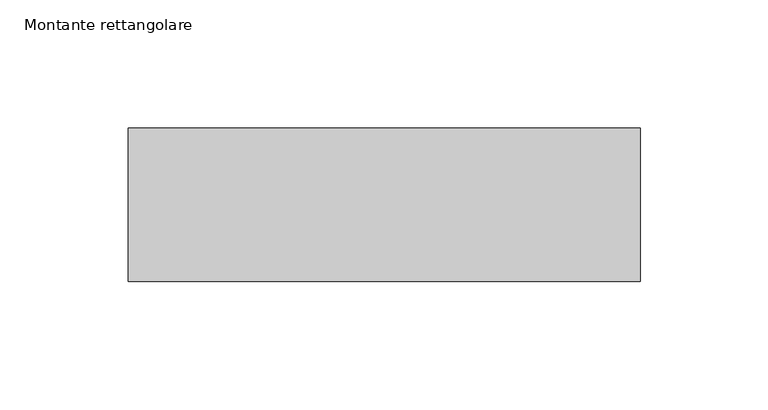
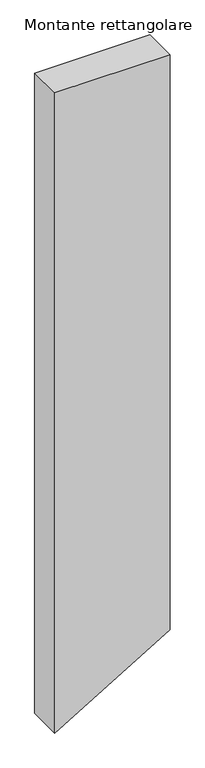
"""IFC4 building model written with IfcOpenShell, lengths in millimetres: member geometry, Montante rettangolare."""

from ifc_helpers import new_model, si_unit, frame, origin, place, context, project, spatial, polyline, outline, extrude, source, transform, mapped, element, save


def montante_rettangolare_ea07a275(model_context):
    return source(origin(), model_context, "Body", "SweptSolid", [
        extrude(outline(polyline([(0.0, 100.0), (0.0, -100.0), (-1173.0530458, -100.0), (-1054.0655495, 100.0), (0.0, 100.0)])), frame((0.0, -30.0, 0.0), z_axis=(0.0, 1.0, 0.0), x_axis=(0.0, 0.0, 1.0)), (0.0, 0.0, 1.0), 60.0),
    ])


if __name__ == "__main__":
    model = new_model("IFC4")
    model_context = context("Model", 3, world=origin())
    ifc_project = project(units=[si_unit("LENGTHUNIT", "METRE", prefix="MILLI")], contexts=[model_context])
    site = spatial("IfcSite", under=ifc_project)
    building = spatial("IfcBuilding", under=site)
    placement = place(None, origin())
    montante_rettangolare_shape = montante_rettangolare_ea07a275(model_context)
    element("IfcMember", 1, ObjectType="Montante rettangolare", at=placement, inside=building, context=model_context, shape_type="MappedRepresentation", body=[
        mapped(montante_rettangolare_shape, transform((0.0, 0.0, 0.0), x_axis=(1.0, 0.0, 0.0), y_axis=(0.0, 1.0, 0.0), z_axis=(0.0, 0.0, 1.0))),
    ])
    save(model, "model.ifc")
